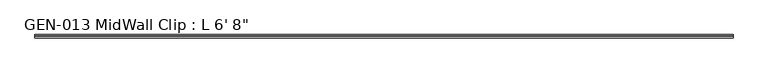
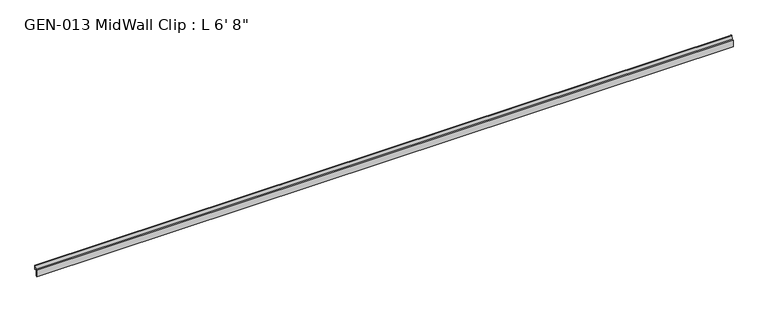
"""IFC4 building model written with IfcOpenShell, lengths in millimetres: proxy geometry."""

from ifc_helpers import new_model, si_unit, point, frame, frame_2d, origin, place, context, project, spatial, polyline, circle_curve, trimmed, segment, composite_curve, outline, extrude, source, transform, mapped, element, save


def proxy_bf3271d8(model_context):
    return source(origin(), model_context, "Body", "SweptSolid", [
        extrude(outline(composite_curve([segment(polyline([(-3.1877, 1.1238237), (-3.1877, -13.4811763), (-1.6129, -13.4811763), (-1.6129, -15.0559763), (-4.7625, -15.0559763), (-4.7625, 3.9686237), (0.630157, 3.9686237), (2.4411308, 14.5447106)]), True, "CONTINUOUS"), segment(trimmed(circle_curve(frame_2d((3.5698235, 13.3878692)), 1.6162393), [point((2.4411308, 14.5447106))], [point((4.7625, 14.4786268))], False, "CARTESIAN"), True, "CONTINUOUS"), segment(polyline([(4.7625, 14.4786268), (4.7625, 2.3938237), (-1.9177, 2.3938237)]), True, "CONTINUOUS"), segment(trimmed(circle_curve(frame_2d((-1.9177, 1.1238237)), 1.27), [point((-1.9177, 2.3938237))], [point((-3.1877, 1.1238237))], True, "CARTESIAN"), True, "CONTINUOUS")], self_intersect=False)), frame((0.0, 0.0, 0.0), z_axis=(1.0, 0.0, 0.0), x_axis=(0.0, 1.0, 0.0)), (0.0, 0.0, 1.0), 2032.0),
    ])


if __name__ == "__main__":
    model = new_model("IFC4")
    model_context = context("Model", 3, world=origin())
    ifc_project = project(units=[si_unit("LENGTHUNIT", "METRE", prefix="MILLI")], contexts=[model_context])
    site = spatial("IfcSite", under=ifc_project)
    building = spatial("IfcBuilding", under=site)
    placement = place(None, origin())
    proxy_shape = proxy_bf3271d8(model_context)
    element("IfcBuildingElementProxy", 1, Name="GEN-013 MidWall Clip : L 6' 8\"", ObjectType="GEN-013 MidWall Clip : L 6' 8\"", at=placement, inside=building, context=model_context, shape_type="MappedRepresentation", body=[
        mapped(proxy_shape, transform((0.0, 0.0, 0.0), x_axis=(1.0, 0.0, 0.0), y_axis=(0.0, 1.0, 0.0), z_axis=(0.0, 0.0, 1.0))),
    ])
    save(model, "model.ifc")
